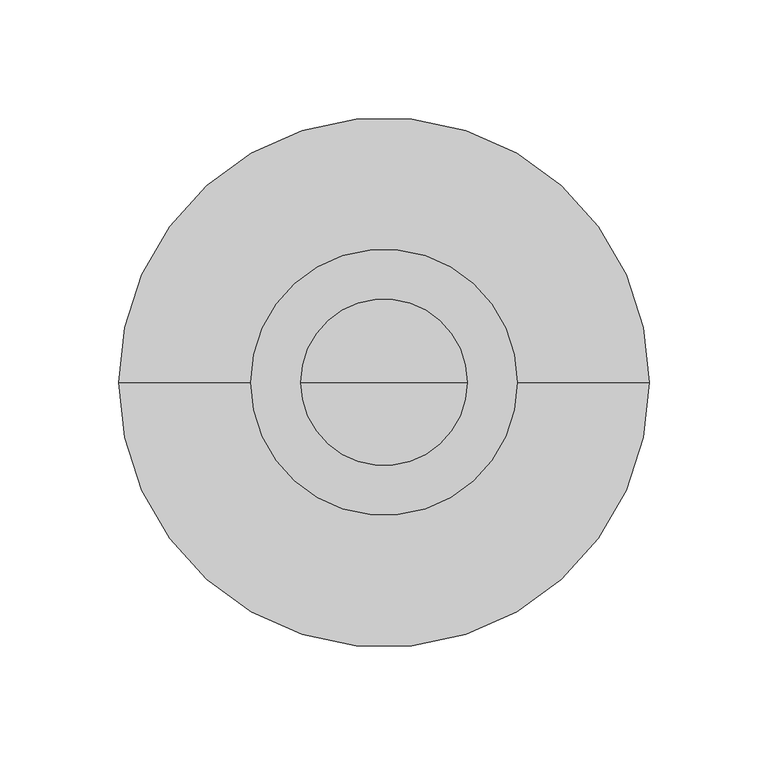
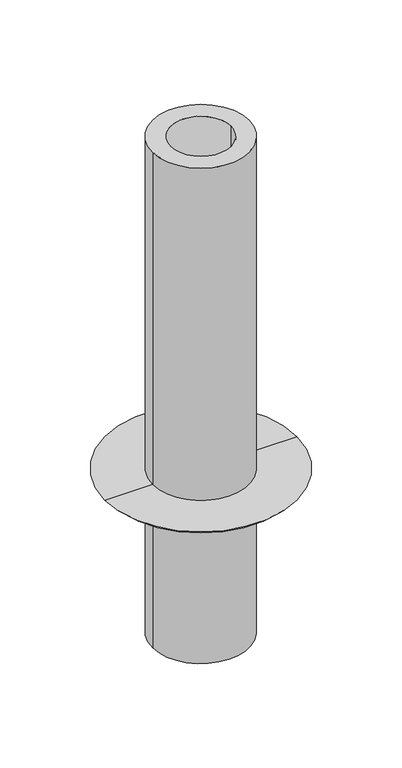
"""IFC4 building model written with IfcOpenShell, lengths in millimetres: proxy geometry."""

from ifc_helpers import new_model, si_unit, point, frame, frame_2d, origin, place, context, project, spatial, circle_curve, ellipse_curve, trimmed, segment, composite_curve, outline, extrude, source, transform, mapped, element, save
from ifc_brep_helpers import plane_surface, revolved_surface, advanced_brep


def specialty_equipment_7cd38e45(model_context):
    return source(origin(), model_context, "Body", "SolidModel", [
        extrude(outline(composite_curve([segment(trimmed(circle_curve(frame_2d((0.0, -0.0039063)), 56.0), [point((56.0, -0.0039063))], [point((-56.0, -0.0039063))], False, "CARTESIAN"), True, "CONTINUOUS"), segment(trimmed(circle_curve(frame_2d((0.0, -0.0039063)), 56.0), [point((-56.0, -0.0039063))], [point((56.0, -0.0039063))], False, "CARTESIAN"), True, "CONTINUOUS")], self_intersect=False), holes=[composite_curve([segment(trimmed(circle_curve(frame_2d((0.0, -0.0039063)), 35.0), [point((35.0, -0.0039063))], [point((-35.0, -0.0039063))], True, "CARTESIAN"), True, "CONTINUOUS"), segment(trimmed(circle_curve(frame_2d((0.0, -0.0039063)), 35.0), [point((-35.0, -0.0039063))], [point((35.0, -0.0039063))], True, "CARTESIAN"), True, "CONTINUOUS")], self_intersect=False)]), frame((0.0, 0.0, 2699.6820493), z_axis=(0.0, 0.0, 1.0), x_axis=(1.0, 0.0, 0.0)), (0.0, 0.0, 1.0), 608.3179507),
        advanced_brep(
        [(111.517182, 0.0, 2900.3179507), (-111.517182, 0.0, 2900.3179507), (0.0, 0.0, 2900.3179507), (81.5375235, 0.0, 2886.8179507), (-81.5375235, 0.0, 2886.8179507), (0.0, 0.0, 2886.8179507)],
        [
            (0, 1, circle_curve(frame((0.0, 0.0, 2900.3179507), z_axis=(0.0, 0.0, 1.0), x_axis=(-1.0, 0.0, 0.0)), 111.517182)),
            (1, 2),
            (2, 0),
            (1, 0, circle_curve(frame((0.0, 0.0, 2900.3179507), z_axis=(0.0, 0.0, 1.0), x_axis=(-1.0, 0.0, 0.0)), 111.517182)),
            (3, 4, circle_curve(frame((0.0, 0.0, 2886.8179507), z_axis=(0.0, 0.0, 1.0), x_axis=(-1.0, 0.0, 0.0)), 81.5375235)),
            (4, 1, circle_curve(frame((-81.5375235, 0.0, 2926.8560961), z_axis=(0.0, 1.0, 0.0), x_axis=(-1.0, 0.0, 0.0)), 40.0381454)),
            (0, 3, circle_curve(frame((81.5375235, 0.0, 2926.8560961), z_axis=(0.0, 1.0, 0.0), x_axis=(1.0, 0.0, 0.0)), 40.0381454)),
            (4, 3, circle_curve(frame((0.0, 0.0, 2886.8179507), z_axis=(0.0, 0.0, 1.0), x_axis=(-1.0, 0.0, 0.0)), 81.5375235)),
            (5, 4),
            (3, 5),
        ],
        [
            plane_surface(frame((0.0, 0.0, 2900.3179507), z_axis=(0.0, 0.0, 1.0), x_axis=(-1.0, 0.0, 0.0))),
            revolved_surface(trimmed(ellipse_curve(frame((-81.5375235, 0.0, 2926.8560961), z_axis=(0.0, -1.0, 0.0), x_axis=(-1.0, 0.0, 0.0)), 40.0381454, 40.0381454), [point((-111.517182, 0.0, 2900.3179507))], [point((-81.5375235, 0.0, 2886.8179507))], True, "CARTESIAN"), (0.0, 0.0, 2900.3179507), (0.0, 0.0, -1.0)),
            plane_surface(frame((0.0, 0.0, 2886.8179507), z_axis=(0.0, 0.0, -1.0), x_axis=(-1.0, 0.0, 0.0))),
        ],
        [
            (0, [[1, 2, 3]]),
            (0, [[4, -3, -2]]),
            (1, [[5, 6, -1, 7]]),
            (1, [[8, -7, -4, -6]]),
            (2, [[9, -5, 10]]),
            (2, [[-10, -8, -9]]),
        ],
    ),
    ])


if __name__ == "__main__":
    model = new_model("IFC4")
    model_context = context("Model", 3, world=origin())
    ifc_project = project(units=[si_unit("LENGTHUNIT", "METRE", prefix="MILLI")], contexts=[model_context])
    site = spatial("IfcSite", under=ifc_project)
    building = spatial("IfcBuilding", under=site)
    placement = place(None, origin())
    specialty_equipment_shape = specialty_equipment_7cd38e45(model_context)
    element("IfcBuildingElementProxy", 1, Name="Specialty Equipment", at=placement, inside=building, context=model_context, shape_type="MappedRepresentation", body=[
        mapped(specialty_equipment_shape, transform((0.0, 0.0, 0.0), x_axis=(1.0, 0.0, 0.0), y_axis=(0.0, 1.0, 0.0), z_axis=(0.0, 0.0, 1.0))),
    ])
    save(model, "model.ifc")
